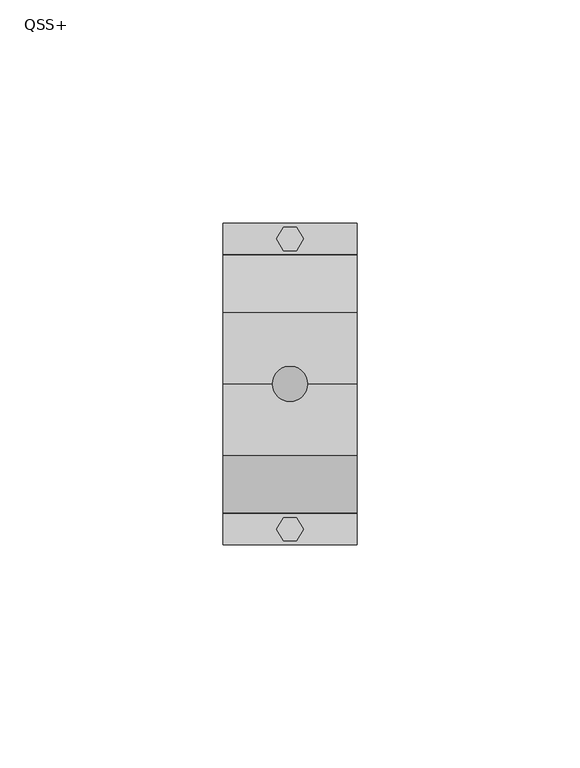
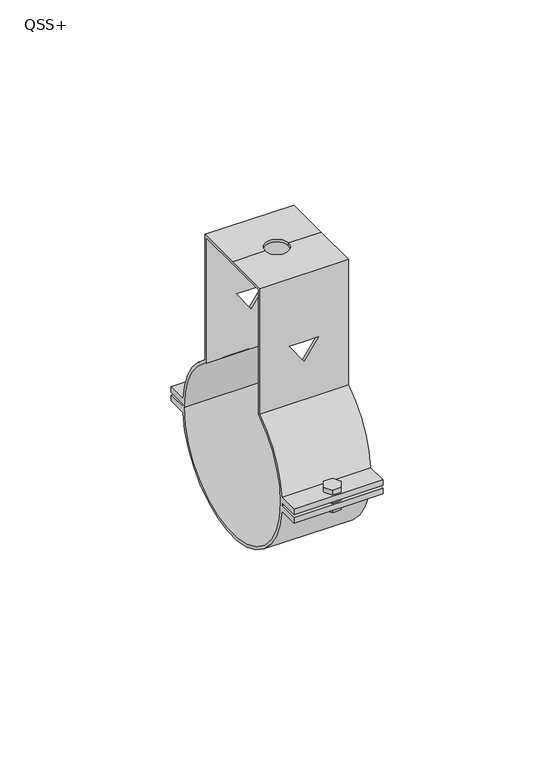
"""IFC4 building model written with IfcOpenShell, lengths in millimetres: proxy geometry, QSS+."""

from ifc_helpers import new_model, si_unit, frame, origin, place, context, project, spatial, polyline, circle_curve, outline, extrude, source, transform, mapped, element, save
from ifc_brep_helpers import plane_surface, cylinder_surface, revolved_surface, advanced_brep


def qss_00fd0535(model_context):
    return source(origin(), model_context, "Body", "SolidModel", [
        extrude(outline(polyline([(1.5, 35.0980762), (3.0, 32.5), (1.5, 29.9019238), (-1.5, 29.9019238), (-3.0, 32.5), (-1.5, 35.0980762), (1.5, 35.0980762)])), frame((0.0, 0.0, -4.0), z_axis=(0.0, 0.0, 1.0), x_axis=(1.0, 0.0, 0.0)), (0.0, 0.0, 1.0), 8.0),
        extrude(outline(polyline([(1.5, -35.0980762), (-1.5, -35.0980762), (-3.0, -32.5), (-1.5, -29.9019238), (1.5, -29.9019238), (3.0, -32.5), (1.5, -35.0980762)])), frame((0.0, 0.0, -4.0), z_axis=(0.0, 0.0, 1.0), x_axis=(1.0, 0.0, 0.0)), (0.0, 0.0, 1.0), 8.0),
        advanced_brep(
        [(-15.0, -16.0, 69.0), (-15.0, 0.0, 69.0), (-15.0, 16.0, 69.0), (-15.0, 16.0, 24.1867732), (-15.0, 28.8949001, 2.4667277), (-15.0, 36.0, 2.4667277), (-15.0, 36.0, 0.4667277), (-15.0, 28.996244, 0.4667277), (-15.0, 29.0, 0.0), (-15.0, 28.996244, -0.4667277), (-15.0, 36.0, -0.4667277), (-15.0, 36.0, -2.4667277), (-15.0, 28.8949001, -2.4667277), (-15.0, -28.8916475, -2.5045372), (-15.0, -36.0, -2.5045372), (-15.0, -36.0, -0.5045372), (-15.0, -28.9956107, -0.5045372), (-15.0, -29.0, 0.0), (-15.0, -28.9956107, 0.5045372), (-15.0, -36.0, 0.5045372), (-15.0, -36.0, 2.5045372), (-15.0, -28.8916475, 2.5045372), (-15.0, -16.0, 24.1867732), (-15.0, 14.9730976, 68.0081289), (-15.0, 0.0, 68.0081289), (-15.0, -14.9730976, 68.0081289), (-15.0, -14.9730976, 23.6602271), (-15.0, -16.0, 22.9782506), (-15.0, -28.0, 0.0), (-15.0, 28.0, 0.0), (-15.0, 16.0, 22.9782506), (-15.0, 14.9730976, 23.6602271), (15.0, 16.0, 69.0), (15.0, 0.0, 69.0), (15.0, -16.0, 69.0), (15.0, -16.0, 24.1867732), (15.0, -28.8916475, 2.5045372), (15.0, -36.0, 2.5045372), (15.0, -36.0, 0.5045372), (15.0, -28.9956107, 0.5045372), (15.0, -29.0, 0.0), (15.0, -28.9956107, -0.5045372), (15.0, -36.0, -0.5045372), (15.0, -36.0, -2.5045372), (15.0, -28.8916475, -2.5045372), (15.0, 28.8949001, -2.4667277), (15.0, 36.0, -2.4667277), (15.0, 36.0, -0.4667277), (15.0, 28.996244, -0.4667277), (15.0, 29.0, 0.0), (15.0, 28.996244, 0.4667277), (15.0, 36.0, 0.4667277), (15.0, 36.0, 2.4667277), (15.0, 28.8949001, 2.4667277), (15.0, 16.0, 24.1867732), (15.0, -14.9730976, 68.0081289), (15.0, 0.0, 68.0081289), (15.0, 14.9730976, 68.0081289), (15.0, 14.9730976, 23.6602271), (15.0, 16.0, 22.9782506), (15.0, 28.0, 0.0), (15.0, -28.0, 0.0), (15.0, -16.0, 22.9782506), (15.0, -14.9730976, 23.6602271), (-4.0, 0.0, 69.0), (4.0, 0.0, 69.0), (0.0, -16.0, 44.8826485), (4.9139468, -16.0, 44.8826485), (0.0, -16.0, 37.8648052), (-4.9139468, -16.0, 44.8826485), (4.9139468, -14.9730976, 44.8826485), (0.0, -14.9730976, 44.8826485), (-4.9139468, -14.9730976, 44.8826485), (0.0, -14.9730976, 37.8648052), (-4.0, 0.0, 68.0081289), (4.0, 0.0, 68.0081289), (0.0, 14.9730976, 44.8826485), (4.9139468, 14.9730976, 44.8826485), (0.0, 14.9730976, 37.8648052), (-4.9139468, 14.9730976, 44.8826485), (4.9139468, 16.0, 44.8826485), (0.0, 16.0, 44.8826485), (-4.9139468, 16.0, 44.8826485), (0.0, 16.0, 37.8648052)],
        [
            (0, 1),
            (1, 2),
            (2, 3),
            (3, 4, circle_curve(frame((-15.0, 0.0, 0.0), z_axis=(-1.0, 0.0, 0.0), x_axis=(0.0, 1.0, 0.0)), 29.0)),
            (4, 5),
            (5, 6),
            (6, 7),
            (7, 8, circle_curve(frame((-15.0, 0.0, 0.0), z_axis=(-1.0, 0.0, 0.0), x_axis=(0.0, 1.0, 0.0)), 29.0)),
            (8, 9, circle_curve(frame((-15.0, 0.0, 0.0), z_axis=(-1.0, 0.0, 0.0), x_axis=(0.0, 1.0, 0.0)), 29.0)),
            (9, 10),
            (10, 11),
            (11, 12),
            (12, 13, circle_curve(frame((-15.0, 0.0, 0.0), z_axis=(-1.0, 0.0, 0.0), x_axis=(0.0, 1.0, 0.0)), 29.0)),
            (13, 14),
            (14, 15),
            (15, 16),
            (16, 17, circle_curve(frame((-15.0, 0.0, 0.0), z_axis=(-1.0, 0.0, 0.0), x_axis=(0.0, 1.0, 0.0)), 29.0)),
            (17, 18, circle_curve(frame((-15.0, 0.0, 0.0), z_axis=(-1.0, 0.0, 0.0), x_axis=(0.0, 1.0, 0.0)), 29.0)),
            (18, 19),
            (19, 20),
            (20, 21),
            (21, 22, circle_curve(frame((-15.0, 0.0, 0.0), z_axis=(-1.0, 0.0, 0.0), x_axis=(0.0, 1.0, 0.0)), 29.0)),
            (22, 0),
            (23, 24),
            (24, 25),
            (25, 26),
            (26, 27, circle_curve(frame((-15.0, 0.0, 0.0), z_axis=(1.0, 0.0, 0.0), x_axis=(0.0, 1.0, 0.0)), 28.0)),
            (27, 28, circle_curve(frame((-15.0, 0.0, 0.0), z_axis=(1.0, 0.0, 0.0), x_axis=(0.0, 1.0, 0.0)), 28.0)),
            (28, 29, circle_curve(frame((-15.0, 0.0, 0.0), z_axis=(1.0, 0.0, 0.0), x_axis=(0.0, 1.0, 0.0)), 28.0)),
            (29, 30, circle_curve(frame((-15.0, 0.0, 0.0), z_axis=(1.0, 0.0, 0.0), x_axis=(0.0, 1.0, 0.0)), 28.0)),
            (30, 31, circle_curve(frame((-15.0, 0.0, 0.0), z_axis=(1.0, 0.0, 0.0), x_axis=(0.0, 1.0, 0.0)), 28.0)),
            (31, 23),
            (32, 33),
            (33, 34),
            (34, 35),
            (35, 36, circle_curve(frame((15.0, 0.0, 0.0), z_axis=(1.0, 0.0, 0.0), x_axis=(0.0, 1.0, 0.0)), 29.0)),
            (36, 37),
            (37, 38),
            (38, 39),
            (39, 40, circle_curve(frame((15.0, 0.0, 0.0), z_axis=(1.0, 0.0, 0.0), x_axis=(0.0, 1.0, 0.0)), 29.0)),
            (40, 41, circle_curve(frame((15.0, 0.0, 0.0), z_axis=(1.0, 0.0, 0.0), x_axis=(0.0, 1.0, 0.0)), 29.0)),
            (41, 42),
            (42, 43),
            (43, 44),
            (44, 45, circle_curve(frame((15.0, 0.0, 0.0), z_axis=(1.0, 0.0, 0.0), x_axis=(0.0, 1.0, 0.0)), 29.0)),
            (45, 46),
            (46, 47),
            (47, 48),
            (48, 49, circle_curve(frame((15.0, 0.0, 0.0), z_axis=(1.0, 0.0, 0.0), x_axis=(0.0, 1.0, 0.0)), 29.0)),
            (49, 50, circle_curve(frame((15.0, 0.0, 0.0), z_axis=(1.0, 0.0, 0.0), x_axis=(0.0, 1.0, 0.0)), 29.0)),
            (50, 51),
            (51, 52),
            (52, 53),
            (53, 54, circle_curve(frame((15.0, 0.0, 0.0), z_axis=(1.0, 0.0, 0.0), x_axis=(0.0, 1.0, 0.0)), 29.0)),
            (54, 32),
            (55, 56),
            (56, 57),
            (57, 58),
            (58, 59, circle_curve(frame((15.0, 0.0, 0.0), z_axis=(-1.0, 0.0, 0.0), x_axis=(0.0, 1.0, 0.0)), 28.0)),
            (59, 60, circle_curve(frame((15.0, 0.0, 0.0), z_axis=(-1.0, 0.0, 0.0), x_axis=(0.0, 1.0, 0.0)), 28.0)),
            (60, 61, circle_curve(frame((15.0, 0.0, 0.0), z_axis=(-1.0, 0.0, 0.0), x_axis=(0.0, 1.0, 0.0)), 28.0)),
            (61, 62, circle_curve(frame((15.0, 0.0, 0.0), z_axis=(-1.0, 0.0, 0.0), x_axis=(0.0, 1.0, 0.0)), 28.0)),
            (62, 63, circle_curve(frame((15.0, 0.0, 0.0), z_axis=(-1.0, 0.0, 0.0), x_axis=(0.0, 1.0, 0.0)), 28.0)),
            (63, 55),
            (1, 64),
            (64, 65, circle_curve(frame((0.0, 0.0, 69.0), z_axis=(0.0, 0.0, -1.0), x_axis=(1.0, 0.0, 0.0)), 4.0)),
            (65, 33),
            (32, 2),
            (0, 34),
            (65, 64, circle_curve(frame((0.0, 0.0, 69.0), z_axis=(0.0, 0.0, -1.0), x_axis=(1.0, 0.0, 0.0)), 4.0)),
            (22, 35),
            (66, 67),
            (67, 68),
            (68, 69),
            (69, 66),
            (25, 55),
            (63, 26),
            (70, 71),
            (71, 72),
            (72, 73),
            (73, 70),
            (24, 74),
            (74, 75, circle_curve(frame((0.0, 0.0, 68.0081289), z_axis=(0.0, 0.0, 1.0), x_axis=(1.0, 0.0, 0.0)), 4.0)),
            (75, 56),
            (23, 57),
            (75, 74, circle_curve(frame((0.0, 0.0, 68.0081289), z_axis=(0.0, 0.0, 1.0), x_axis=(1.0, 0.0, 0.0)), 4.0)),
            (31, 58),
            (76, 77),
            (77, 78),
            (78, 79),
            (79, 76),
            (54, 3),
            (80, 81),
            (81, 82),
            (82, 83),
            (83, 80),
            (61, 28),
            (27, 62),
            (29, 60),
            (59, 30),
            (40, 17),
            (16, 41),
            (8, 49),
            (48, 9),
            (12, 45),
            (44, 13),
            (21, 36),
            (53, 4),
            (39, 18),
            (7, 50),
            (6, 51),
            (5, 52),
            (11, 46),
            (10, 47),
            (38, 19),
            (37, 20),
            (43, 14),
            (42, 15),
            (70, 67),
            (66, 71),
            (80, 77),
            (76, 81),
            (69, 72),
            (79, 82),
            (68, 73),
            (78, 83),
            (65, 75),
            (74, 64),
        ],
        [
            plane_surface(frame((-15.0, 16.0, 69.0), z_axis=(-1.0, 0.0, 0.0), x_axis=(0.0, 1.0, 0.0))),
            plane_surface(frame((15.0, 16.0, 69.0), z_axis=(1.0, 0.0, 0.0), x_axis=(0.0, -1.0, 0.0))),
            plane_surface(frame((15.0, 16.0, 69.0), z_axis=(0.0, 0.0, 1.0), x_axis=(-1.0, 0.0, 0.0))),
            plane_surface(frame((15.0, 0.0, 69.0), z_axis=(0.0, 0.0, 1.0), x_axis=(-1.0, 0.0, 0.0))),
            plane_surface(frame((15.0, -16.0, 69.0), z_axis=(0.0, -1.0, 0.0), x_axis=(-1.0, 0.0, 0.0))),
            plane_surface(frame((15.0, -14.9730976, 0.0), z_axis=(0.0, 1.0, 0.0), x_axis=(-1.0, 0.0, 0.0))),
            plane_surface(frame((15.0, -14.9730976, 68.0081289), z_axis=(0.0, 0.0, -1.0), x_axis=(-1.0, 0.0, 0.0))),
            plane_surface(frame((15.0, 0.0, 68.0081289), z_axis=(0.0, 0.0, -1.0), x_axis=(-1.0, 0.0, 0.0))),
            plane_surface(frame((15.0, 14.9730976, 68.0081289), z_axis=(0.0, -1.0, 0.0), x_axis=(-1.0, 0.0, 0.0))),
            plane_surface(frame((15.0, 16.0, 0.0), z_axis=(0.0, 1.0, 0.0), x_axis=(-1.0, 0.0, 0.0))),
            revolved_surface(polyline([(-15.0, 28.0, 0.0), (15.0, 28.0, 0.0)]), (-15.0, 0.0, 0.0), (-1.0, 0.0, 0.0)),
            cylinder_surface(frame((0.0, 0.0, 0.0), z_axis=(1.0, 0.0, 0.0), x_axis=(0.0, 1.0, 0.0)), 29.0),
            revolved_surface(polyline([(15.0, 28.0, 0.0), (-15.0, 28.0, 0.0)]), (-15.0, 0.0, 0.0), (1.0, 0.0, 0.0)),
            plane_surface(frame((15.0, 28.2591075, 0.4667277), z_axis=(0.0, 0.0, -1.0), x_axis=(-1.0, 0.0, 0.0))),
            plane_surface(frame((15.0, 36.0, 0.4667277), z_axis=(0.0, 1.0, 0.0), x_axis=(-1.0, 0.0, 0.0))),
            plane_surface(frame((15.0, 36.0, 2.4667277), z_axis=(0.0, 0.0, 1.0), x_axis=(-1.0, 0.0, 0.0))),
            plane_surface(frame((15.0, 28.2591075, -2.4667277), z_axis=(0.0, 0.0, -1.0), x_axis=(-1.0, 0.0, 0.0))),
            plane_surface(frame((15.0, 36.0, -2.4667277), z_axis=(0.0, 1.0, 0.0), x_axis=(-1.0, 0.0, 0.0))),
            plane_surface(frame((15.0, 36.0, -0.4667277), z_axis=(0.0, 0.0, 1.0), x_axis=(-1.0, 0.0, 0.0))),
            plane_surface(frame((15.0, -36.0, 0.5045372), z_axis=(0.0, 0.0, -1.0), x_axis=(-1.0, 0.0, 0.0))),
            plane_surface(frame((15.0, -36.0, 2.5045372), z_axis=(0.0, -1.0, 0.0), x_axis=(-1.0, 0.0, 0.0))),
            plane_surface(frame((15.0, -28.2591075, 2.5045372), z_axis=(0.0, 0.0, 1.0), x_axis=(-1.0, 0.0, 0.0))),
            plane_surface(frame((15.0, -36.0, -2.5045372), z_axis=(0.0, 0.0, -1.0), x_axis=(-1.0, 0.0, 0.0))),
            plane_surface(frame((15.0, -36.0, -0.5045372), z_axis=(0.0, -1.0, 0.0), x_axis=(-1.0, 0.0, 0.0))),
            plane_surface(frame((15.0, -28.2591075, -0.5045372), z_axis=(0.0, 0.0, 1.0), x_axis=(-1.0, 0.0, 0.0))),
            plane_surface(frame((4.9139468, -23.1577597, 44.8826485), z_axis=(0.0, 0.0, -1.0), x_axis=(0.0, 1.0, 0.0))),
            plane_surface(frame((0.0, -23.1577597, 44.8826485), z_axis=(0.0, 0.0, -1.0), x_axis=(0.0, 1.0, 0.0))),
            plane_surface(frame((-4.9139468, -23.1577597, 44.8826485), z_axis=(0.8191520442889915, 0.0, 0.5735764363510465), x_axis=(0.0, 1.0, 0.0))),
            plane_surface(frame((0.0, -23.1577597, 37.8648052), z_axis=(-0.8191520442889916, 0.0, 0.5735764363510465), x_axis=(0.0, 1.0, 0.0))),
            revolved_surface(polyline([(4.0, 0.0, 69.0), (4.0, 0.0, 68.0081289)]), (0.0, 0.0, 68.0081289), (0.0, 0.0, 1.0)),
        ],
        [
            (0, [[1, 2, 3, 4, 5, 6, 7, 8, 9, 10, 11, 12, 13, 14, 15, 16, 17, 18, 19, 20, 21, 22, 23], [24, 25, 26, 27, 28, 29, 30, 31, 32]]),
            (1, [[33, 34, 35, 36, 37, 38, 39, 40, 41, 42, 43, 44, 45, 46, 47, 48, 49, 50, 51, 52, 53, 54, 55], [56, 57, 58, 59, 60, 61, 62, 63, 64]]),
            (2, [[-2, 65, 66, 67, -33, 68]]),
            (3, [[-1, 69, -34, -67, 70, -65]]),
            (4, [[-69, -23, 71, -35], [72, 73, 74, 75]]),
            (5, [[76, -64, 77, -26], [78, 79, 80, 81]]),
            (6, [[-25, 82, 83, 84, -56, -76]]),
            (7, [[-24, 85, -57, -84, 86, -82]]),
            (8, [[-85, -32, 87, -58], [88, 89, 90, 91]]),
            (9, [[-68, -55, 92, -3], [93, 94, 95, 96]]),
            (10, [[97, -28, 98, -62]]),
            (10, [[99, -60, 100, -30]]),
            (10, [[-29, -97, -61, -99]]),
            (11, [[101, -17, 102, -41]]),
            (11, [[103, -49, 104, -9]]),
            (11, [[105, -45, 106, -13]]),
            (11, [[-71, -22, 107, -36]]),
            (11, [[-92, -54, 108, -4]]),
            (11, [[-101, -40, 109, -18]]),
            (11, [[-103, -8, 110, -50]]),
            (12, [[-27, -77, -63, -98]]),
            (12, [[-31, -100, -59, -87]]),
            (13, [[111, -51, -110, -7]]),
            (14, [[-52, -111, -6, 112]]),
            (15, [[-112, -5, -108, -53]]),
            (16, [[113, -46, -105, -12]]),
            (17, [[-47, -113, -11, 114]]),
            (18, [[-114, -10, -104, -48]]),
            (19, [[115, -19, -109, -39]]),
            (20, [[-38, 116, -20, -115]]),
            (21, [[-116, -37, -107, -21]]),
            (22, [[117, -14, -106, -44]]),
            (23, [[-43, 118, -15, -117]]),
            (24, [[-118, -42, -102, -16]]),
            (25, [[119, -72, 120, -78]]),
            (25, [[121, -88, 122, -93]]),
            (26, [[-120, -75, 123, -79]]),
            (26, [[-122, -91, 124, -94]]),
            (27, [[-123, -74, 125, -80]]),
            (27, [[-124, -90, 126, -95]]),
            (28, [[-119, -81, -125, -73]]),
            (28, [[-121, -96, -126, -89]]),
            (29, [[127, -83, 128, -70]]),
            (29, [[-127, -66, -128, -86]]),
        ],
    ),
    ])


if __name__ == "__main__":
    model = new_model("IFC4")
    model_context = context("Model", 3, world=origin())
    ifc_project = project(units=[si_unit("LENGTHUNIT", "METRE", prefix="MILLI")], contexts=[model_context])
    site = spatial("IfcSite", under=ifc_project)
    building = spatial("IfcBuilding", under=site)
    placement = place(None, origin())
    qss_shape = qss_00fd0535(model_context)
    element("IfcBuildingElementProxy", 1, Name="QSS+", ObjectType="QSS+", at=placement, inside=building, context=model_context, shape_type="MappedRepresentation", body=[
        mapped(qss_shape, transform((0.0, 0.0, 0.0), x_axis=(1.0, 0.0, 0.0), y_axis=(0.0, 1.0, 0.0), z_axis=(0.0, 0.0, 1.0))),
    ])
    save(model, "model.ifc")
